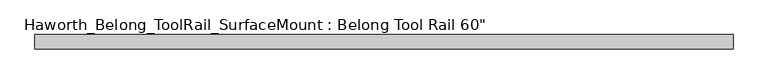
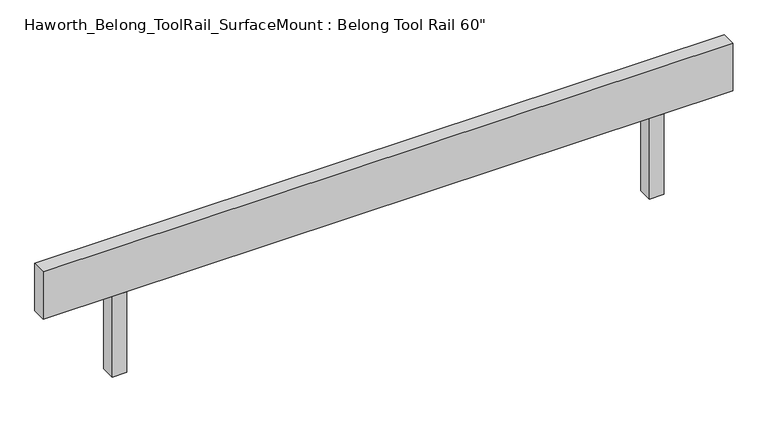
"""IFC4 building model written with IfcOpenShell, lengths in millimetres: furniture geometry."""

from ifc_helpers import new_model, si_unit, frame, origin, place, context, project, spatial, polyline, outline, extrude, source, transform, mapped, element, save


def furniture_5820457f(model_context):
    return source(origin(), model_context, "Body", "SweptSolid", [
        extrude(outline(polyline([(762.0, 15.875), (762.0, -15.875), (-762.0, -15.875), (-762.0, 15.875), (762.0, 15.875)])), frame((0.0, 0.0, 950.9125), z_axis=(0.0, 0.0, 1.0), x_axis=(1.0, 0.0, 0.0)), (0.0, 0.0, 1.0), 111.125),
        extrude(outline(polyline([(-609.6, 15.875), (-577.85, 15.875), (-577.85, -15.875), (-609.6, -15.875), (-609.6, 15.875)])), frame((0.0, 0.0, 762.0), z_axis=(0.0, 0.0, 1.0), x_axis=(1.0, 0.0, 0.0)), (0.0, 0.0, 1.0), 188.9125),
        extrude(outline(polyline([(577.85, 15.875), (609.6, 15.875), (609.6, -15.875), (577.85, -15.875), (577.85, 15.875)])), frame((0.0, 0.0, 762.0), z_axis=(0.0, 0.0, 1.0), x_axis=(1.0, 0.0, 0.0)), (0.0, 0.0, 1.0), 188.9125),
    ])


if __name__ == "__main__":
    model = new_model("IFC4")
    model_context = context("Model", 3, world=origin())
    ifc_project = project(units=[si_unit("LENGTHUNIT", "METRE", prefix="MILLI")], contexts=[model_context])
    site = spatial("IfcSite", under=ifc_project)
    building = spatial("IfcBuilding", under=site)
    placement = place(None, origin())
    furniture_shape = furniture_5820457f(model_context)
    element("IfcFurniture", 1, ObjectType="Haworth_Belong_ToolRail_SurfaceMount : Belong Tool Rail 60\"", at=placement, inside=building, context=model_context, shape_type="MappedRepresentation", body=[
        mapped(furniture_shape, transform((0.0, 0.0, 0.0), x_axis=(1.0, 0.0, 0.0), y_axis=(0.0, 1.0, 0.0), z_axis=(0.0, 0.0, 1.0))),
    ])
    save(model, "model.ifc")
